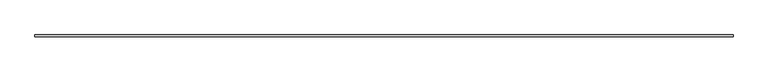
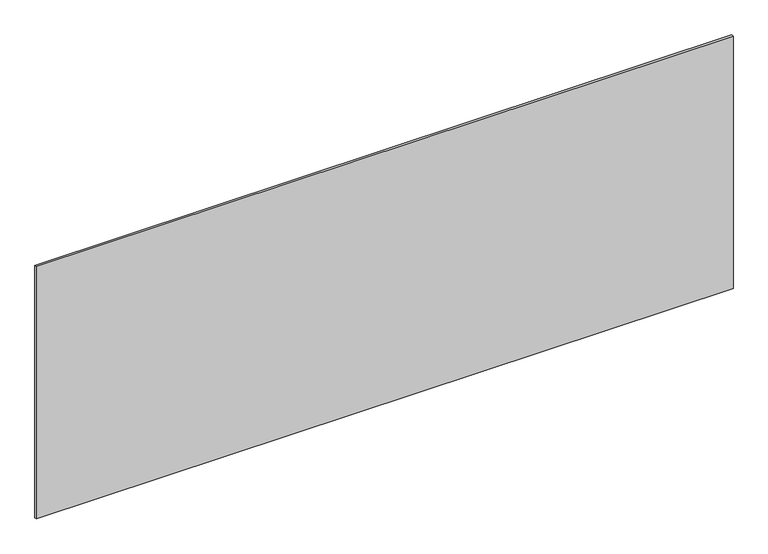
"""IFC4 building model written with IfcOpenShell, lengths in millimetres: plate geometry."""

from ifc_helpers import new_model, si_unit, origin, origin_with_axes, place, context, project, spatial, polyline, outline, extrude, source, transform, mapped, element, save


def plate_f96f8c7d(model_context):
    return source(origin(), model_context, "Body", "SweptSolid", [
        extrude(outline(polyline([(1715.0, -5.0), (-1715.0, -5.0), (-1715.0, 5.0), (1715.0, 5.0), (1715.0, -5.0)])), origin_with_axes(), (0.0, 0.0, 1.0), 1313.9400382),
    ])


if __name__ == "__main__":
    model = new_model("IFC4")
    model_context = context("Model", 3, world=origin())
    ifc_project = project(units=[si_unit("LENGTHUNIT", "METRE", prefix="MILLI")], contexts=[model_context])
    site = spatial("IfcSite", under=ifc_project)
    building = spatial("IfcBuilding", under=site)
    placement = place(None, origin())
    plate_shape = plate_f96f8c7d(model_context)
    element("IfcPlate", 1, at=placement, inside=building, context=model_context, shape_type="MappedRepresentation", body=[
        mapped(plate_shape, transform((0.0, 0.0, 0.0), x_axis=(1.0, 0.0, 0.0), y_axis=(0.0, 1.0, 0.0), z_axis=(0.0, 0.0, 1.0))),
    ])
    save(model, "model.ifc")
